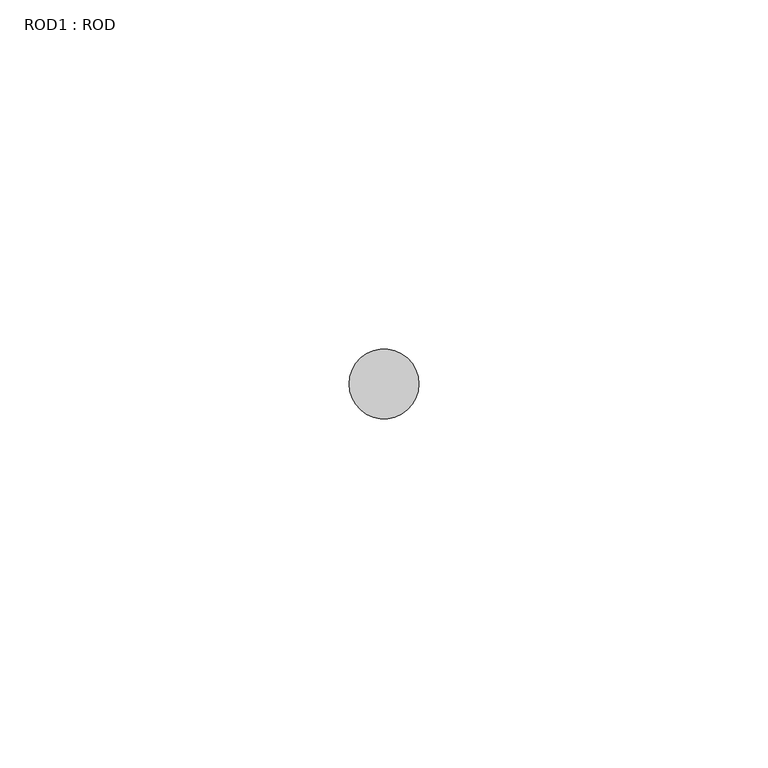
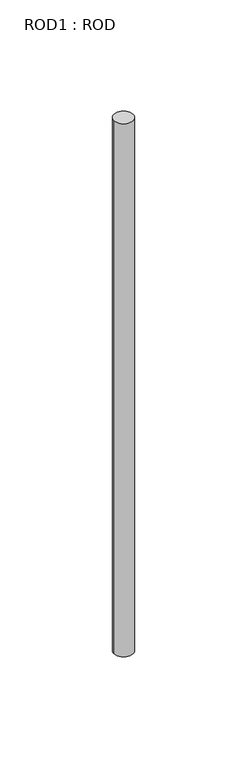
"""IFC4 building model written with IfcOpenShell, lengths in millimetres: proxy geometry, ROD1 : ROD."""

from ifc_helpers import new_model, si_unit, point, frame, frame_2d, origin, place, context, project, spatial, circle_curve, trimmed, segment, composite_curve, outline, extrude, source, transform, mapped, element, save


def rod1_rod_126f5742(model_context):
    return source(origin(), model_context, "Body", "SweptSolid", [
        extrude(outline(composite_curve([segment(trimmed(circle_curve(frame_2d((-4700.2326676, 833.3971576)), 5.0), [point((-4705.2326676, 833.3971576))], [point((-4695.2326676, 833.3971576))], False, "CARTESIAN"), True, "CONTINUOUS"), segment(trimmed(circle_curve(frame_2d((-4700.2326676, 833.3971576)), 5.0), [point((-4695.2326676, 833.3971576))], [point((-4705.2326676, 833.3971576))], False, "CARTESIAN"), True, "CONTINUOUS")], self_intersect=False)), frame((0.0, 0.0, -108.6608845), z_axis=(0.0, 0.0, 1.0), x_axis=(1.0, 0.0, 0.0)), (0.0, 0.0, 1.0), 298.9028972),
    ])


if __name__ == "__main__":
    model = new_model("IFC4")
    model_context = context("Model", 3, world=origin())
    ifc_project = project(units=[si_unit("LENGTHUNIT", "METRE", prefix="MILLI")], contexts=[model_context])
    site = spatial("IfcSite", under=ifc_project)
    building = spatial("IfcBuilding", under=site)
    placement = place(None, origin())
    rod1_rod_shape = rod1_rod_126f5742(model_context)
    element("IfcBuildingElementProxy", 1, Name="ROD1 : ROD", ObjectType="ROD1 : ROD", at=placement, inside=building, context=model_context, shape_type="MappedRepresentation", body=[
        mapped(rod1_rod_shape, transform((0.0, 0.0, 0.0), x_axis=(1.0, 0.0, 0.0), y_axis=(0.0, 1.0, 0.0), z_axis=(0.0, 0.0, 1.0))),
    ])
    save(model, "model.ifc")
